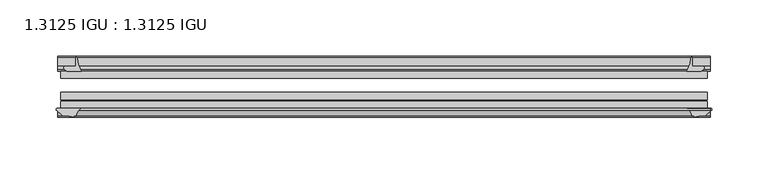
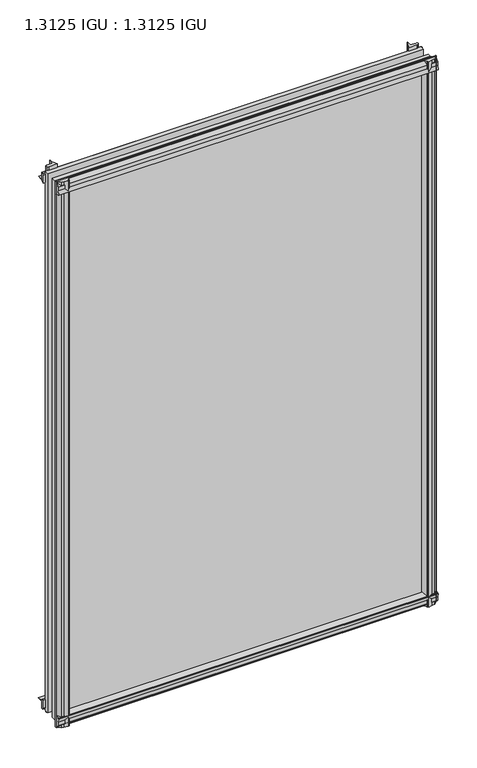
"""IFC4 building model written with IfcOpenShell, lengths in millimetres: plate geometry, 1.3125 IGU : 1.3125 IGU."""

from ifc_helpers import new_model, si_unit, point, frame, frame_2d, origin, place, context, project, spatial, polyline, circle_curve, trimmed, segment, composite_curve, outline, extrude, source, transform, mapped, element, save


def plate_1_3125_igu_1_3125_igu_aedaa2d1(model_context):
    return source(origin(), model_context, "Body", "SweptSolid", [
        extrude(outline(composite_curve([segment(polyline([(-22.094825, 0.0), (-22.094825, -9.916835)]), True, "CONTINUOUS"), segment(trimmed(circle_curve(frame_2d((-23.669625, -9.916835)), 1.5748), [point((-22.094825, -9.916835))], [point((-24.8706146, -10.9354709))], False, "CARTESIAN"), True, "CONTINUOUS"), segment(polyline([(-24.8706146, -10.9354709), (-26.590625, -8.9075484), (-26.590625, 4.0446407)]), True, "CONTINUOUS"), segment(trimmed(circle_curve(frame_2d((-7.1839113, 38.4138813)), 39.4698015), [point((-26.590625, 4.0446407))], [point((-19.4504626, 0.8985917))], True, "CARTESIAN"), True, "CONTINUOUS"), segment(polyline([(-19.4504626, 0.8985917), (-13.3986538, 0.0), (-22.094825, 0.0)]), True, "CONTINUOUS")], self_intersect=False)), frame((-290.1184763, 0.0, 0.0), z_axis=(1.0, 0.0, 0.0), x_axis=(0.0, 1.0, 0.0)), (0.0, 0.0, 1.0), 580.2369525),
        extrude(outline(composite_curve([segment(trimmed(circle_curve(frame_2d((-67.8737919, 9.6311377)), 10.5748618), [point((-66.062225, -0.7874))], [point((-59.712225, 2.9068141))], True, "CARTESIAN"), True, "CONTINUOUS"), segment(polyline([(-59.712225, 2.9068141), (-59.712225, -18.0442511)]), True, "CONTINUOUS"), segment(trimmed(circle_curve(frame_2d((-60.728225, -18.0442511)), 1.016), [point((-59.712225, -18.0442511))], [point((-61.4950672, -18.7107412))], False, "CARTESIAN"), True, "CONTINUOUS"), segment(polyline([(-61.4950672, -18.7107412), (-66.062225, -13.4559149), (-66.062225, -7.4520336), (-67.637025, -1.5748), (-66.062225, -1.5748), (-66.062225, -0.7874)]), True, "CONTINUOUS")], self_intersect=False)), frame((-290.1184763, 0.0, 0.0), z_axis=(1.0, 0.0, 0.0), x_axis=(0.0, 1.0, 0.0)), (0.0, 0.0, 1.0), 580.2369525),
        extrude(outline(composite_curve([segment(polyline([(-66.062225, 857.9598774), (-61.4950672, 863.2147037)]), True, "CONTINUOUS"), segment(trimmed(circle_curve(frame_2d((-60.728225, 862.5482136)), 1.016), [point((-61.4950672, 863.2147037))], [point((-59.712225, 862.5482136))], False, "CARTESIAN"), True, "CONTINUOUS"), segment(polyline([(-59.712225, 862.5482136), (-59.712225, 842.0230921)]), True, "CONTINUOUS"), segment(trimmed(circle_curve(frame_2d((-66.4211348, 836.3932283)), 8.7581298), [point((-59.712225, 842.0230921))], [point((-66.062225, 845.1440009))], True, "CARTESIAN"), True, "CONTINUOUS"), segment(polyline([(-66.062225, 845.1440009), (-66.062225, 846.0787625), (-67.637025, 846.0787625), (-66.062225, 851.9559961), (-66.062225, 857.9598774)]), True, "CONTINUOUS")], self_intersect=False)), frame((-290.1184763, 0.0, 0.0), z_axis=(1.0, 0.0, 0.0), x_axis=(0.0, 1.0, 0.0)), (0.0, 0.0, 1.0), 580.2369525),
        extrude(outline(composite_curve([segment(polyline([(-26.590625, 840.4593218), (-26.590625, 853.4115109), (-24.8706146, 855.4394334)]), True, "CONTINUOUS"), segment(trimmed(circle_curve(frame_2d((-23.669625, 854.4207975)), 1.5748), [point((-24.8706146, 855.4394334))], [point((-22.094825, 854.4207975))], False, "CARTESIAN"), True, "CONTINUOUS"), segment(polyline([(-22.094825, 854.4207975), (-22.094825, 844.55), (-14.5883882, 844.55), (-18.3240316, 843.7633459)]), True, "CONTINUOUS"), segment(trimmed(circle_curve(frame_2d((-16.4585419, 831.134903)), 12.7654855), [point((-18.3240316, 843.7633459))], [point((-20.5939581, 843.2119869))], True, "CARTESIAN"), True, "CONTINUOUS"), segment(trimmed(circle_curve(frame_2d((-7.1839113, 806.0900812)), 39.4698015), [point((-20.5939581, 843.2119869))], [point((-26.590625, 840.4593218))], True, "CARTESIAN"), True, "CONTINUOUS")], self_intersect=False)), frame((-290.1184763, 0.0, 0.0), z_axis=(1.0, 0.0, 0.0), x_axis=(0.0, 1.0, 0.0)), (0.0, 0.0, 1.0), 580.2369525),
        extrude(outline(composite_curve([segment(polyline([(281.9575484, -26.590625), (269.0053593, -26.590625)]), True, "CONTINUOUS"), segment(trimmed(circle_curve(frame_2d((234.6361187, -7.1839113)), 39.4698015), [point((269.0053593, -26.590625))], [point((272.1514083, -19.4504626))], True, "CARTESIAN"), True, "CONTINUOUS"), segment(polyline([(272.1514083, -19.4504626), (272.7972834, -15.1006424)]), True, "CONTINUOUS"), segment(trimmed(circle_curve(frame_2d((273.5767687, -15.2120036)), 0.7874), [point((272.7972834, -15.1006424))], [point((273.84375, -14.4712474))], False, "CARTESIAN"), True, "CONTINUOUS"), segment(polyline([(273.84375, -14.4712474), (273.84375, -22.094825), (282.966835, -22.094825)]), True, "CONTINUOUS"), segment(trimmed(circle_curve(frame_2d((282.966835, -23.669625)), 1.5748), [point((282.966835, -22.094825))], [point((283.9854709, -24.8706146))], False, "CARTESIAN"), True, "CONTINUOUS"), segment(polyline([(283.9854709, -24.8706146), (281.9575484, -26.590625)]), True, "CONTINUOUS")], self_intersect=False)), frame((0.0, 0.0, -18.2728511), z_axis=(0.0, 0.0, 1.0), x_axis=(1.0, 0.0, 0.0)), (0.0, 0.0, 1.0), 882.1352548),
        extrude(outline(composite_curve([segment(polyline([(269.6989748, -59.712225), (290.2594015, -59.712225)]), True, "CONTINUOUS"), segment(trimmed(circle_curve(frame_2d((290.2594015, -60.728225)), 1.016), [point((290.2594015, -59.712225))], [point((290.9258916, -61.4950672))], False, "CARTESIAN"), True, "CONTINUOUS"), segment(polyline([(290.9258916, -61.4950672), (285.6710653, -66.062225), (281.6958336, -66.062225), (275.8186, -67.637025), (275.8186, -66.062225), (274.7282443, -66.062225)]), True, "CONTINUOUS"), segment(trimmed(circle_curve(frame_2d((274.7282443, -66.849625)), 0.7874), [point((274.7282443, -66.062225))], [point((273.9505385, -66.7264485))], True, "CARTESIAN"), True, "CONTINUOUS"), segment(trimmed(circle_curve(frame_2d((260.8852219, -69.8501675)), 13.4335445), [point((273.9505385, -66.7264485))], [point((269.6989748, -59.712225))], True, "CARTESIAN"), True, "CONTINUOUS")], self_intersect=False)), frame((0.0, 0.0, -18.2728511), z_axis=(0.0, 0.0, 1.0), x_axis=(1.0, 0.0, 0.0)), (0.0, 0.0, 1.0), 882.1352548),
        extrude(outline(composite_curve([segment(polyline([(-272.7972834, -15.1006424), (-272.3228683, -18.2957187)]), True, "CONTINUOUS"), segment(trimmed(circle_curve(frame_2d((-259.7605951, -16.4304327)), 12.7), [point((-272.3228683, -18.2957187))], [point((-271.7741235, -20.5493081))], True, "CARTESIAN"), True, "CONTINUOUS"), segment(trimmed(circle_curve(frame_2d((-234.6361187, -7.1839113)), 39.4698015), [point((-271.7741235, -20.5493081))], [point((-269.0053593, -26.590625))], True, "CARTESIAN"), True, "CONTINUOUS"), segment(polyline([(-269.0053593, -26.590625), (-281.9575484, -26.590625), (-283.9854709, -24.8706146)]), True, "CONTINUOUS"), segment(trimmed(circle_curve(frame_2d((-282.966835, -23.669625)), 1.5748), [point((-283.9854709, -24.8706146))], [point((-282.966835, -22.094825))], False, "CARTESIAN"), True, "CONTINUOUS"), segment(polyline([(-282.966835, -22.094825), (-273.812, -22.094825), (-273.812, -14.4605617)]), True, "CONTINUOUS"), segment(trimmed(circle_curve(frame_2d((-273.5767687, -15.2120036)), 0.7874), [point((-273.812, -14.4605617))], [point((-272.7972834, -15.1006424))], False, "CARTESIAN"), True, "CONTINUOUS")], self_intersect=False)), frame((0.0, 0.0, -18.2728511), z_axis=(0.0, 0.0, 1.0), x_axis=(1.0, 0.0, 0.0)), (0.0, 0.0, 1.0), 882.4847648),
        extrude(outline(composite_curve([segment(trimmed(circle_curve(frame_2d((-260.8852219, -69.8501675)), 13.4335445), [point((-269.6989748, -59.712225))], [point((-273.9505385, -66.7264485))], True, "CARTESIAN"), True, "CONTINUOUS"), segment(trimmed(circle_curve(frame_2d((-274.7282443, -66.849625)), 0.7874), [point((-273.9505385, -66.7264485))], [point((-274.7282443, -66.062225))], True, "CARTESIAN"), True, "CONTINUOUS"), segment(polyline([(-274.7282443, -66.062225), (-275.8186, -66.062225), (-275.8186, -67.637025), (-281.6958336, -66.062225), (-285.6710653, -66.062225), (-290.9258916, -61.4950672)]), True, "CONTINUOUS"), segment(trimmed(circle_curve(frame_2d((-290.2594015, -60.728225)), 1.016), [point((-290.9258916, -61.4950672))], [point((-290.2594015, -59.712225))], False, "CARTESIAN"), True, "CONTINUOUS"), segment(polyline([(-290.2594015, -59.712225), (-269.6989748, -59.712225)]), True, "CONTINUOUS")], self_intersect=False)), frame((0.0, 0.0, -18.2728511), z_axis=(0.0, 0.0, 1.0), x_axis=(1.0, 0.0, 0.0)), (0.0, 0.0, 1.0), 882.4847648),
        extrude(outline(polyline([(-287.3375, -26.590625), (287.3375, -26.590625), (287.3375, -32.889825), (-287.3375, -32.889825), (-287.3375, -26.590625)])), frame((0.0, 0.0, -12.8524), z_axis=(0.0, 0.0, 1.0), x_axis=(1.0, 0.0, 0.0)), (0.0, 0.0, 1.0), 871.6438625),
        extrude(outline(polyline([(287.3375, -45.589825), (287.3375, -51.889025), (-287.3375, -51.889025), (-287.3375, -45.589825), (287.3375, -45.589825)])), frame((0.0, 0.0, -12.8524), z_axis=(0.0, 0.0, 1.0), x_axis=(1.0, 0.0, 0.0)), (0.0, 0.0, 1.0), 871.6438625),
        extrude(outline(polyline([(287.3375, -53.413025), (287.3375, -59.712225), (-287.3375, -59.712225), (-287.3375, -53.413025), (287.3375, -53.413025)])), frame((0.0, 0.0, -12.8524), z_axis=(0.0, 0.0, 1.0), x_axis=(1.0, 0.0, 0.0)), (0.0, 0.0, 1.0), 871.6438625),
    ])


if __name__ == "__main__":
    model = new_model("IFC4")
    model_context = context("Model", 3, world=origin())
    ifc_project = project(units=[si_unit("LENGTHUNIT", "METRE", prefix="MILLI")], contexts=[model_context])
    site = spatial("IfcSite", under=ifc_project)
    building = spatial("IfcBuilding", under=site)
    placement = place(None, origin())
    plate_1_3125_igu_1_3125_igu_shape = plate_1_3125_igu_1_3125_igu_aedaa2d1(model_context)
    element("IfcPlate", 1, ObjectType="1.3125 IGU : 1.3125 IGU", at=placement, inside=building, context=model_context, shape_type="MappedRepresentation", body=[
        mapped(plate_1_3125_igu_1_3125_igu_shape, transform((0.0, 0.0, 0.0), x_axis=(1.0, 0.0, 0.0), y_axis=(0.0, 1.0, 0.0), z_axis=(0.0, 0.0, 1.0))),
    ])
    save(model, "model.ifc")
